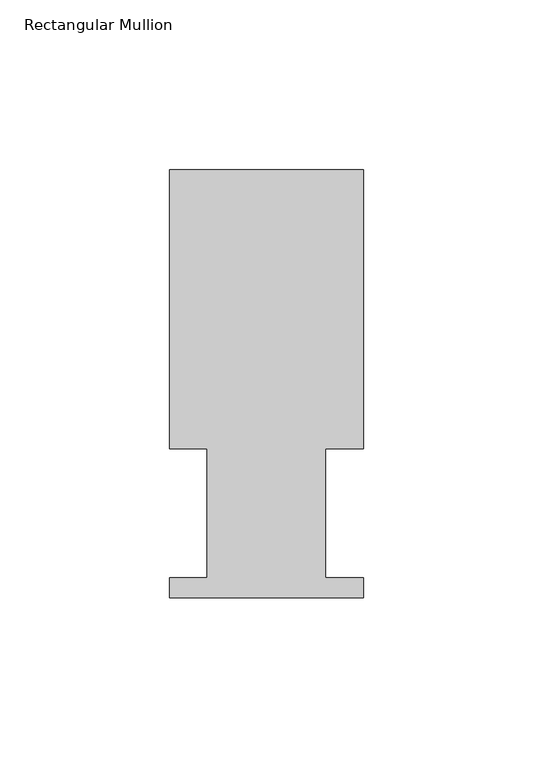
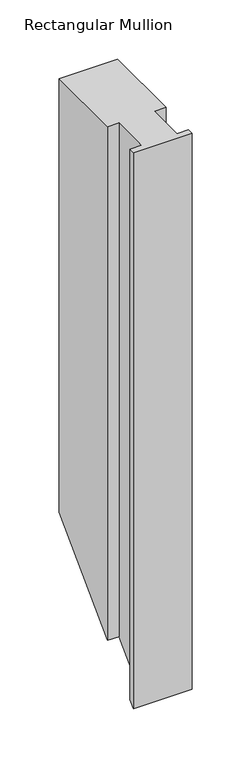
"""IFC4 building model written with IfcOpenShell, lengths in millimetres: member geometry, Rectangular Mullion."""

from ifc_helpers import new_model, si_unit, origin, place, context, project, spatial, faceted_brep, source, transform, mapped, element, save


def rectangular_mullion_3076a5f1(model_context):
    return source(origin(), model_context, "Body", "Brep", [
        faceted_brep([(0.0, 126.619, 0.0), (-57.15, 126.619, 0.0), (-57.15, 44.45, 0.0), (-46.0370705, 44.45, 0.0), (-46.0370705, 6.35, 0.0), (-57.15, 6.35, 0.0), (-57.15, 0.4064, 0.0), (0.0, 0.4064, 0.0), (0.0, 6.35, 0.0), (-11.1120704, 6.35, 0.0), (-11.1120704, 44.45, 0.0), (0.0, 44.45, 0.0), (0.0, 126.619, -448.056), (-57.15, 126.619, -448.056), (-57.15, 44.45, -530.225), (-46.0370705, 44.45, -530.225), (-46.0370705, 6.35, -568.325), (-57.15, 6.35, -568.325), (-57.15, 0.4064, -574.2686), (0.0, 0.4064, -574.2686), (0.0, 6.35, -568.325), (-11.1120704, 6.35, -568.325), (-11.1120704, 44.45, -530.225), (0.0, 44.45, -530.225)], [[[0, 1, 2, 3, 4, 5, 6, 7, 8, 9, 10, 11]], [[1, 0, 12, 13]], [[2, 1, 13, 14]], [[3, 2, 14, 15]], [[4, 3, 15, 16]], [[5, 4, 16, 17]], [[6, 5, 17, 18]], [[7, 6, 18, 19]], [[8, 7, 19, 20]], [[9, 8, 20, 21]], [[10, 9, 21, 22]], [[11, 10, 22, 23]], [[0, 11, 23, 12]], [[12, 23, 22, 21, 20, 19, 18, 17, 16, 15, 14, 13]]]),
    ])


if __name__ == "__main__":
    model = new_model("IFC4")
    model_context = context("Model", 3, world=origin())
    ifc_project = project(units=[si_unit("LENGTHUNIT", "METRE", prefix="MILLI")], contexts=[model_context])
    site = spatial("IfcSite", under=ifc_project)
    building = spatial("IfcBuilding", under=site)
    placement = place(None, origin())
    rectangular_mullion_shape = rectangular_mullion_3076a5f1(model_context)
    element("IfcMember", 1, ObjectType="Rectangular Mullion", at=placement, inside=building, context=model_context, shape_type="MappedRepresentation", body=[
        mapped(rectangular_mullion_shape, transform((0.0, 0.0, 0.0), x_axis=(1.0, 0.0, 0.0), y_axis=(0.0, 1.0, 0.0), z_axis=(0.0, 0.0, 1.0))),
    ])
    save(model, "model.ifc")
